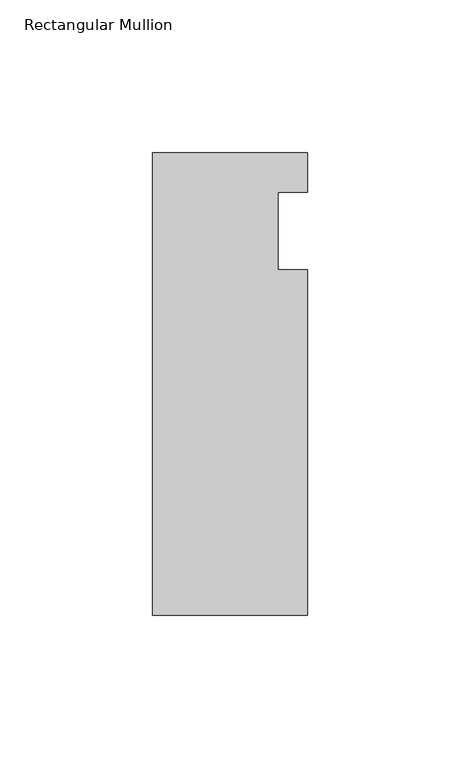
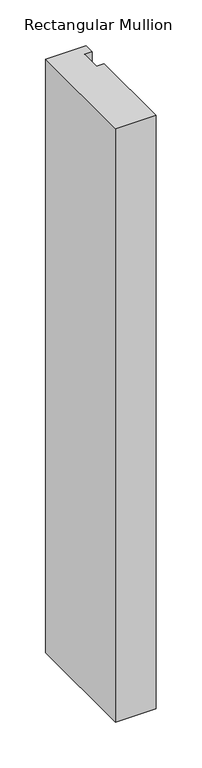
"""IFC4 building model written with IfcOpenShell, lengths in millimetres: member geometry, Rectangular Mullion."""

from ifc_helpers import new_model, si_unit, frame, origin, place, context, project, spatial, polyline, outline, extrude, source, transform, mapped, element, save


def rectangular_mullion_d2c5acc1(model_context):
    return source(origin(), model_context, "Body", "SweptSolid", [
        extrude(outline(polyline([(-25.4, 25.796875), (25.4, 25.796875), (25.4, 12.7), (15.875, 12.7), (15.875, -12.7), (25.4, -12.7), (25.4, -125.809375), (-25.4, -125.809375), (-25.4, 25.796875)])), frame((0.0, 0.0, -787.4), z_axis=(0.0, 0.0, 1.0), x_axis=(1.0, 0.0, 0.0)), (0.0, 0.0, 1.0), 787.4),
    ])


if __name__ == "__main__":
    model = new_model("IFC4")
    model_context = context("Model", 3, world=origin())
    ifc_project = project(units=[si_unit("LENGTHUNIT", "METRE", prefix="MILLI")], contexts=[model_context])
    site = spatial("IfcSite", under=ifc_project)
    building = spatial("IfcBuilding", under=site)
    placement = place(None, origin())
    rectangular_mullion_shape = rectangular_mullion_d2c5acc1(model_context)
    element("IfcMember", 1, ObjectType="Rectangular Mullion", at=placement, inside=building, context=model_context, shape_type="MappedRepresentation", body=[
        mapped(rectangular_mullion_shape, transform((0.0, 0.0, 0.0), x_axis=(1.0, 0.0, 0.0), y_axis=(0.0, 1.0, 0.0), z_axis=(0.0, 0.0, 1.0))),
    ])
    save(model, "model.ifc")
